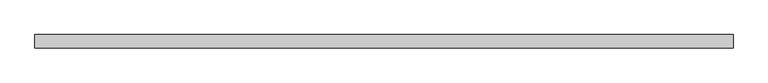
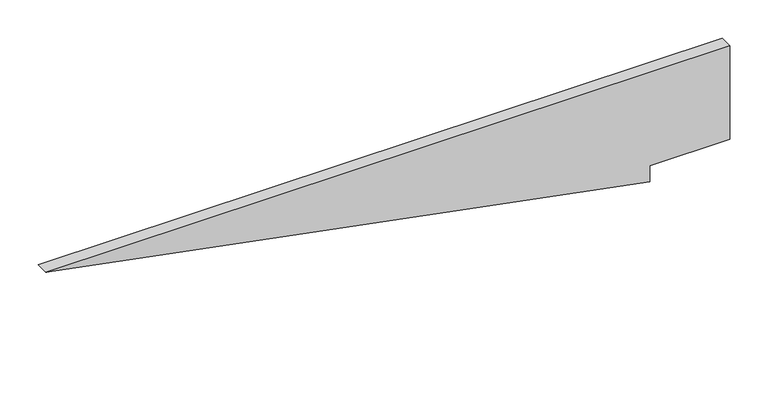
"""IFC4 building model written with IfcOpenShell, lengths in millimetres: plate geometry."""

from ifc_helpers import new_model, si_unit, frame, origin, place, context, project, spatial, polyline, outline, extrude, source, transform, mapped, element, save


def plate_92472591(model_context):
    return source(origin(), model_context, "Body", "SweptSolid", [
        extrude(outline(polyline([(0.0, 396.6549053), (25.0, 396.6549053), (25.0, 518.117822), (175.0, 518.117822), (175.0, -518.117822), (0.0, 396.6549053)])), frame((0.0, 20.0, 0.0), z_axis=(0.0, 1.0, 0.0), x_axis=(0.0, 0.0, 1.0)), (0.0, 0.0, 1.0), 20.0),
    ])


if __name__ == "__main__":
    model = new_model("IFC4")
    model_context = context("Model", 3, world=origin())
    ifc_project = project(units=[si_unit("LENGTHUNIT", "METRE", prefix="MILLI")], contexts=[model_context])
    site = spatial("IfcSite", under=ifc_project)
    building = spatial("IfcBuilding", under=site)
    placement = place(None, origin())
    plate_shape = plate_92472591(model_context)
    element("IfcPlate", 1, at=placement, inside=building, context=model_context, shape_type="MappedRepresentation", body=[
        mapped(plate_shape, transform((0.0, 0.0, 0.0), x_axis=(1.0, 0.0, 0.0), y_axis=(0.0, 1.0, 0.0), z_axis=(0.0, 0.0, 1.0))),
    ])
    save(model, "model.ifc")
